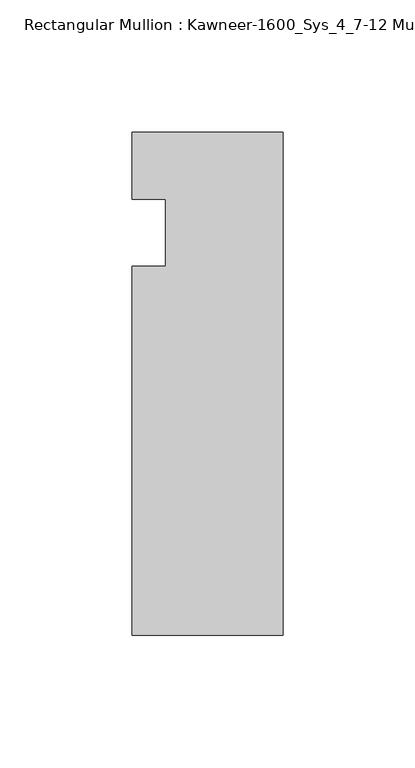
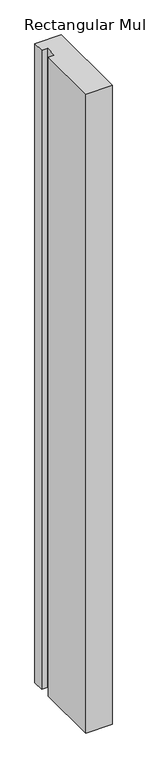
"""IFC4 building model written with IfcOpenShell, lengths in millimetres: member geometry, Rectangular Mullion : Kawneer-1600_Sys_4_7-12 Mullion_Jamb L."""

from ifc_helpers import new_model, si_unit, frame, origin, place, context, project, spatial, polyline, outline, extrude, source, transform, mapped, element, save


def rectangular_mullion_kawneer_1600_sys_4_7_12_mullion_jamb_l_956d2c72(model_context):
    return source(origin(), model_context, "Body", "SweptSolid", [
        extrude(outline(polyline([(-57.15, -152.4), (-57.15, -12.7), (-44.4482296, -12.7), (-44.4482296, 12.7), (-57.15, 12.7), (-57.15, 38.1), (0.0, 38.1), (0.0, -152.4), (-57.15, -152.4)])), frame((0.0, 0.0, -1463.04), z_axis=(0.0, 0.0, 1.0), x_axis=(1.0, 0.0, 0.0)), (0.0, 0.0, 1.0), 1463.04),
    ])


if __name__ == "__main__":
    model = new_model("IFC4")
    model_context = context("Model", 3, world=origin())
    ifc_project = project(units=[si_unit("LENGTHUNIT", "METRE", prefix="MILLI")], contexts=[model_context])
    site = spatial("IfcSite", under=ifc_project)
    building = spatial("IfcBuilding", under=site)
    placement = place(None, origin())
    rectangular_mullion_kawneer_1600_sys_4_7_12_mullion_jamb_l_shape = rectangular_mullion_kawneer_1600_sys_4_7_12_mullion_jamb_l_956d2c72(model_context)
    element("IfcMember", 1, ObjectType="Rectangular Mullion : Kawneer-1600_Sys_4_7-12 Mullion_Jamb L", at=placement, inside=building, context=model_context, shape_type="MappedRepresentation", body=[
        mapped(rectangular_mullion_kawneer_1600_sys_4_7_12_mullion_jamb_l_shape, transform((0.0, 0.0, 0.0), x_axis=(1.0, 0.0, 0.0), y_axis=(0.0, 1.0, 0.0), z_axis=(0.0, 0.0, 1.0))),
    ])
    save(model, "model.ifc")
